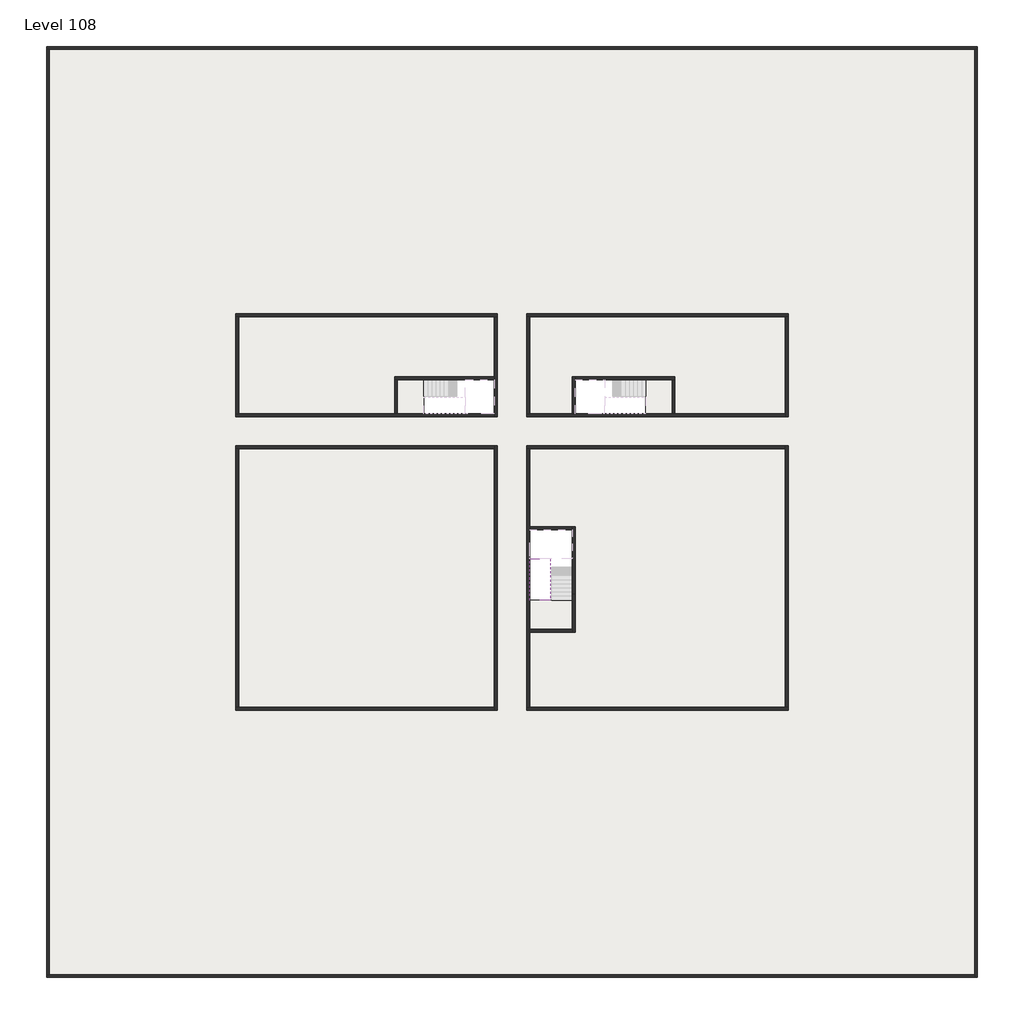
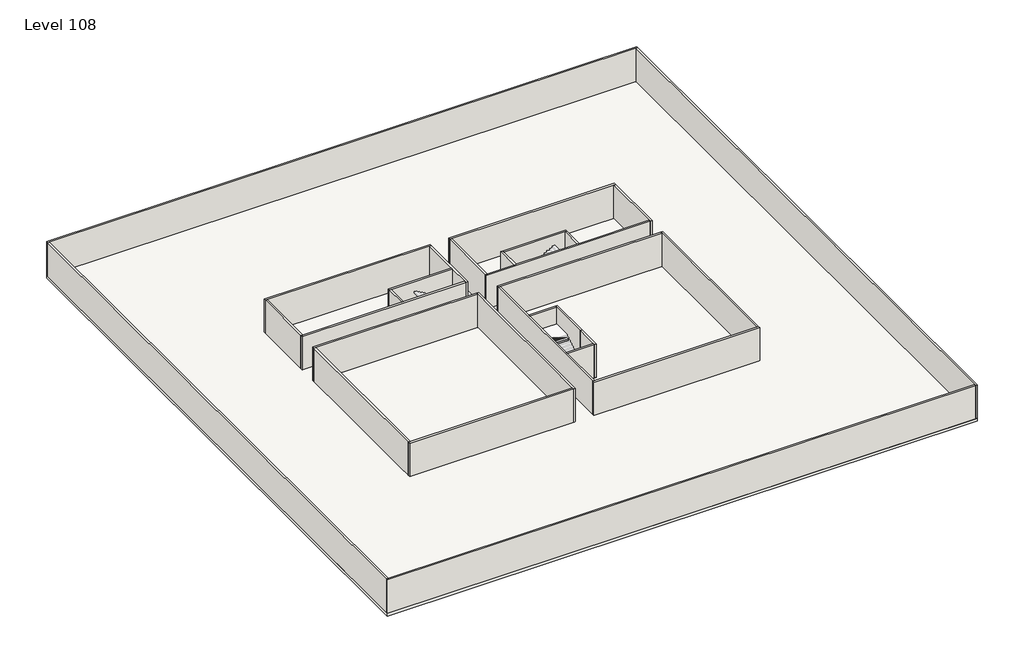
# One storey, part 1 of 2: 29 walls, 2 slabs, 1 stair flight.
"""IFC4 building model written with IfcOpenShell, lengths in millimetres."""

from ifc_helpers import new_model, si_unit, frame, origin, place, context, project, spatial, polyline, outline, extrude, faceted_brep, element, save

model = new_model("IFC4")

# Units and contexts
model_context = context("Model", 3, world=origin())
ifc_project = project(units=[si_unit("LENGTHUNIT", "METRE", prefix="MILLI")], contexts=[model_context])

# Site, building, storey
site = spatial("IfcSite", under=ifc_project)
building = spatial("IfcBuilding", under=site)
storey = spatial("IfcBuildingStorey", under=building, Name="Level 108", Elevation=406600.0)

# Slabs
placement = place(None, origin())
element("IfcSlab", 1, at=placement, inside=storey, context=model_context, shape_type="SweptSolid", body=[
    extrude(outline(polyline([(16190.1058784, -28218.09644), (18190.1058784, -28218.09644), (18190.1058784, -30518.09644), (16190.1058784, -30518.09644), (16190.1058784, -28218.09644)])), frame((0.0, 0.0, 406300.0), z_axis=(0.0, 0.0, 1.0), x_axis=(1.0, 0.0, 0.0)), (0.0, 0.0, 1.0), 300.0),
    extrude(outline(polyline([(28490.1058784, -43218.09644), (28490.1058784, -45418.09644), (25390.1058784, -45418.09644), (25390.1058784, -43218.09644), (28490.1058784, -43218.09644)])), frame((0.0, 0.0, 406300.0), z_axis=(0.0, 0.0, 1.0), x_axis=(1.0, 0.0, 0.0)), (0.0, 0.0, 1.0), 300.0),
    extrude(outline(polyline([(33290.1058784, -30518.09644), (33290.1058784, -28018.09644), (35290.1058784, -28018.09644), (35290.1058784, -30518.09644), (33290.1058784, -30518.09644)])), frame((0.0, 0.0, 406300.0), z_axis=(0.0, 0.0, 1.0), x_axis=(1.0, 0.0, 0.0)), (0.0, 0.0, 1.0), 300.0),
])
element("IfcSlab", 2, at=placement, inside=storey, context=model_context, shape_type="SweptSolid", body=[
    extrude(outline(polyline([(55890.1058784, -5518.09644), (55890.1058784, -68918.09644), (-7509.8941216, -68918.09644), (-7509.8941216, -5518.09644), (55890.1058784, -5518.09644)]), holes=[polyline([(25390.1058784, -45418.09644), (28490.1058784, -45418.09644), (28490.1058784, -38218.09644), (25390.1058784, -38218.09644), (25390.1058784, -45418.09644)]), polyline([(16190.1058784, -28018.09644), (16190.1058784, -30518.09644), (22990.1058784, -30518.09644), (22990.1058784, -28018.09644), (16190.1058784, -28018.09644)]), polyline([(28490.1058784, -28018.09644), (28490.1058784, -30518.09644), (35290.1058784, -30518.09644), (35290.1058784, -28018.09644), (28490.1058784, -28018.09644)])]), frame((0.0, 0.0, 406300.0), z_axis=(0.0, 0.0, 1.0), x_axis=(1.0, 0.0, 0.0)), (0.0, 0.0, 1.0), 300.0),
])

# Stair flight
element("IfcStairFlight", 3, at=placement, inside=storey, context=model_context, shape_type="Brep", body=[
    faceted_brep([(26790.1058784, -40698.09644, 408672.7272727), (26790.1058784, -40418.09644, 408672.7272727), (25390.1058784, -40418.09644, 408672.7272727), (25390.1058784, -40698.09644, 408672.7272727), (26790.1058784, -40698.09644, 408496.4823932), (26790.1058784, -40418.09644, 408323.7551205), (25390.1058784, -40418.09644, 408323.7551205), (25390.1058784, -40418.09644, 408500.0), (25390.1058784, -40698.09644, 408496.4823932), (26790.1058784, -40978.09644, 408845.4545455), (26790.1058784, -40698.09644, 408845.4545455), (25390.1058784, -40698.09644, 408845.4545455), (25390.1058784, -40978.09644, 408845.4545455), (26790.1058784, -40978.09644, 408669.209666), (25390.1058784, -40978.09644, 408669.209666), (26790.1058784, -41258.09644, 409018.1818182), (26790.1058784, -40978.09644, 409018.1818182), (25390.1058784, -40978.09644, 409018.1818182), (25390.1058784, -41258.09644, 409018.1818182), (26790.1058784, -41258.09644, 408841.9369387), (25390.1058784, -41258.09644, 408841.9369387), (26790.1058784, -41538.09644, 409190.9090909), (26790.1058784, -41258.09644, 409190.9090909), (25390.1058784, -41258.09644, 409190.9090909), (25390.1058784, -41538.09644, 409190.9090909), (26790.1058784, -41538.09644, 409014.6642114), (25390.1058784, -41538.09644, 409014.6642114), (26790.1058784, -41818.09644, 409363.6363636), (26790.1058784, -41538.09644, 409363.6363636), (25390.1058784, -41538.09644, 409363.6363636), (25390.1058784, -41818.09644, 409363.6363636), (26790.1058784, -41818.09644, 409187.3914841), (25390.1058784, -41818.09644, 409187.3914841), (26790.1058784, -42098.09644, 409536.3636364), (26790.1058784, -41818.09644, 409536.3636364), (25390.1058784, -41818.09644, 409536.3636364), (25390.1058784, -42098.09644, 409536.3636364), (26790.1058784, -42098.09644, 409360.1187569), (25390.1058784, -42098.09644, 409360.1187569), (26790.1058784, -42378.09644, 409709.0909091), (26790.1058784, -42098.09644, 409709.0909091), (25390.1058784, -42098.09644, 409709.0909091), (25390.1058784, -42378.09644, 409709.0909091), (26790.1058784, -42378.09644, 409532.8460296), (25390.1058784, -42378.09644, 409532.8460296), (26790.1058784, -42658.09644, 409881.8181818), (26790.1058784, -42378.09644, 409881.8181818), (25390.1058784, -42378.09644, 409881.8181818), (25390.1058784, -42658.09644, 409881.8181818), (26790.1058784, -42658.09644, 409705.5733023), (25390.1058784, -42658.09644, 409705.5733023), (26790.1058784, -42938.09644, 410054.5454545), (26790.1058784, -42658.09644, 410054.5454545), (25390.1058784, -42658.09644, 410054.5454545), (25390.1058784, -42938.09644, 410054.5454545), (26790.1058784, -42938.09644, 409878.3005751), (25390.1058784, -42938.09644, 409878.3005751), (26790.1058784, -43218.09644, 410227.2727273), (26790.1058784, -42938.09644, 410227.2727273), (25390.1058784, -42938.09644, 410227.2727273), (25390.1058784, -43218.09644, 410227.2727273), (26790.1058784, -43218.09644, 410051.0278478), (25390.1058784, -43218.09644, 410051.0278478)], [[[0, 1, 2, 3]], [[1, 0, 4, 5]], [[2, 1, 5, 6, 7]], [[3, 2, 7, 6, 8]], [[9, 10, 11, 12]], [[10, 9, 13, 4, 0]], [[11, 10, 0, 3]], [[12, 11, 3, 8, 14]], [[15, 16, 17, 18]], [[16, 15, 19, 13, 9]], [[17, 16, 9, 12]], [[18, 17, 12, 14, 20]], [[21, 22, 23, 24]], [[22, 21, 25, 19, 15]], [[23, 22, 15, 18]], [[24, 23, 18, 20, 26]], [[27, 28, 29, 30]], [[28, 27, 31, 25, 21]], [[29, 28, 21, 24]], [[30, 29, 24, 26, 32]], [[33, 34, 35, 36]], [[34, 33, 37, 31, 27]], [[35, 34, 27, 30]], [[36, 35, 30, 32, 38]], [[39, 40, 41, 42]], [[40, 39, 43, 37, 33]], [[41, 40, 33, 36]], [[42, 41, 36, 38, 44]], [[45, 46, 47, 48]], [[46, 45, 49, 43, 39]], [[47, 46, 39, 42]], [[48, 47, 42, 44, 50]], [[51, 52, 53, 54]], [[52, 51, 55, 49, 45]], [[53, 52, 45, 48]], [[54, 53, 48, 50, 56]], [[57, 58, 59, 60]], [[58, 57, 61, 55, 51]], [[59, 58, 51, 54]], [[60, 59, 54, 56, 62]], [[57, 60, 62, 61]], [[5, 4, 13, 19, 25, 31, 37, 43, 49, 55, 61, 62, 56, 50, 44, 38, 32, 26, 20, 14, 8, 6]]]),
])

# Walls
element("IfcWall", 4, at=placement, inside=storey, context=model_context, shape_type="Brep", body=[
    faceted_brep([(-7509.8941216, -5718.09644, 406600.0), (-7309.8941216, -5718.09644, 406600.0), (55690.1058784, -5718.09644, 406600.0), (55890.1058784, -5718.09644, 406600.0), (55890.1058784, -5718.09644, 410400.0), (55690.1058784, -5718.09644, 410400.0), (-7309.8941216, -5718.09644, 410400.0), (-7509.8941216, -5718.09644, 410400.0), (-7509.8941216, -5518.09644, 406600.0), (-7509.8941216, -5518.09644, 410400.0), (55890.1058784, -5518.09644, 410400.0), (55890.1058784, -5518.09644, 406600.0)], [[[0, 1, 2, 3, 4, 5, 6, 7]], [[8, 9, 10, 11]], [[3, 2, 1, 0, 8, 11]], [[7, 6, 5, 4, 10, 9]], [[0, 7, 9, 8]], [[4, 3, 11, 10]]]),
])
element("IfcWall", 5, at=placement, inside=storey, context=model_context, shape_type="Brep", body=[
    faceted_brep([(55690.1058784, -5718.09644, 406600.0), (55690.1058784, -68718.09644, 406600.0), (55690.1058784, -68918.09644, 406600.0), (55690.1058784, -68918.09644, 410400.0), (55690.1058784, -68718.09644, 410400.0), (55690.1058784, -5718.09644, 410400.0), (55890.1058784, -5718.09644, 406600.0), (55890.1058784, -5718.09644, 410400.0), (55890.1058784, -68918.09644, 410400.0), (55890.1058784, -68918.09644, 406600.0)], [[[0, 1, 2, 3, 4, 5]], [[6, 7, 8, 9]], [[2, 1, 0, 6, 9]], [[5, 4, 3, 8, 7]], [[3, 2, 9, 8]], [[0, 5, 7, 6]]]),
])
element("IfcWall", 6, at=placement, inside=storey, context=model_context, shape_type="Brep", body=[
    faceted_brep([(55690.1058784, -68718.09644, 406600.0), (-7309.8941216, -68718.09644, 406600.0), (-7509.8941216, -68718.09644, 406600.0), (-7509.8941216, -68718.09644, 410400.0), (-7309.8941216, -68718.09644, 410400.0), (55690.1058784, -68718.09644, 410400.0), (55690.1058784, -68918.09644, 406600.0), (55690.1058784, -68918.09644, 410400.0), (-7509.8941216, -68918.09644, 410400.0), (-7509.8941216, -68918.09644, 406600.0)], [[[0, 1, 2, 3, 4, 5]], [[6, 7, 8, 9]], [[2, 1, 0, 6, 9]], [[5, 4, 3, 8, 7]], [[3, 2, 9, 8]], [[0, 5, 7, 6]]]),
])
element("IfcWall", 7, at=placement, inside=storey, context=model_context, shape_type="SweptSolid", body=[
    extrude(outline(polyline([(-7309.8941216, -5718.09644), (-7309.8941216, -68718.09644), (-7509.8941216, -68718.09644), (-7509.8941216, -5718.09644), (-7309.8941216, -5718.09644)])), frame((0.0, 0.0, 406600.0), z_axis=(0.0, 0.0, 1.0), x_axis=(1.0, 0.0, 0.0)), (0.0, 0.0, 1.0), 3800.0),
])
element("IfcWall", 8, at=placement, inside=storey, context=model_context, shape_type="Brep", body=[
    faceted_brep([(5390.1058784, -23918.09644, 406600.0), (5590.1058784, -23918.09644, 406600.0), (22990.1058784, -23918.09644, 406600.0), (23190.1058784, -23918.09644, 406600.0), (23190.1058784, -23918.09644, 410400.0), (22990.1058784, -23918.09644, 410400.0), (5590.1058784, -23918.09644, 410400.0), (5390.1058784, -23918.09644, 410400.0), (5390.1058784, -23718.09644, 406600.0), (5390.1058784, -23718.09644, 410400.0), (23190.1058784, -23718.09644, 410400.0), (23190.1058784, -23718.09644, 406600.0)], [[[0, 1, 2, 3, 4, 5, 6, 7]], [[8, 9, 10, 11]], [[3, 2, 1, 0, 8, 11]], [[7, 6, 5, 4, 10, 9]], [[4, 3, 11, 10]], [[0, 7, 9, 8]]]),
])
element("IfcWall", 9, at=placement, inside=storey, context=model_context, shape_type="Brep", body=[
    faceted_brep([(22990.1058784, -23918.09644, 406600.0), (22990.1058784, -28018.09644, 406600.0), (22990.1058784, -28218.09644, 406600.0), (22990.1058784, -30518.09644, 406600.0), (22990.1058784, -30718.09644, 406600.0), (22990.1058784, -30718.09644, 410400.0), (22990.1058784, -30518.09644, 410400.0), (22990.1058784, -28218.09644, 410400.0), (22990.1058784, -28018.09644, 410400.0), (22990.1058784, -23918.09644, 410400.0), (23190.1058784, -23918.09644, 406600.0), (23190.1058784, -23918.09644, 410400.0), (23190.1058784, -30718.09644, 410400.0), (23190.1058784, -30718.09644, 406600.0)], [[[0, 1, 2, 3, 4, 5, 6, 7, 8, 9]], [[10, 11, 12, 13]], [[4, 3, 2, 1, 0, 10, 13]], [[9, 8, 7, 6, 5, 12, 11]], [[0, 9, 11, 10]], [[5, 4, 13, 12]]]),
])
element("IfcWall", 10, at=placement, inside=storey, context=model_context, shape_type="Brep", body=[
    faceted_brep([(25190.1058784, -32918.09644, 406600.0), (25190.1058784, -50518.09644, 406600.0), (25190.1058784, -50518.09644, 410400.0), (25190.1058784, -32918.09644, 410400.0), (25390.1058784, -32918.09644, 406600.0), (25390.1058784, -32918.09644, 410400.0), (25390.1058784, -38218.09644, 410400.0), (25390.1058784, -38418.09644, 410400.0), (25390.1058784, -45218.09644, 410400.0), (25390.1058784, -45418.09644, 410400.0), (25390.1058784, -50518.09644, 410400.0), (25390.1058784, -50518.09644, 406600.0), (25390.1058784, -45418.09644, 406600.0), (25390.1058784, -45218.09644, 406600.0), (25390.1058784, -38418.09644, 406600.0), (25390.1058784, -38218.09644, 406600.0)], [[[0, 1, 2, 3]], [[4, 5, 6, 7, 8, 9, 10, 11, 12, 13, 14, 15]], [[1, 0, 4, 15, 14, 13, 12, 11]], [[3, 2, 10, 9, 8, 7, 6, 5]], [[2, 1, 11, 10]], [[0, 3, 5, 4]]]),
])
element("IfcWall", 11, at=placement, inside=storey, context=model_context, shape_type="Brep", body=[
    faceted_brep([(22990.1058784, -32718.09644, 406600.0), (22990.1058784, -32918.09644, 406600.0), (22990.1058784, -50518.09644, 406600.0), (22990.1058784, -50718.09644, 406600.0), (22990.1058784, -50718.09644, 410400.0), (22990.1058784, -50518.09644, 410400.0), (22990.1058784, -32918.09644, 410400.0), (22990.1058784, -32718.09644, 410400.0), (23190.1058784, -32718.09644, 406600.0), (23190.1058784, -32718.09644, 410400.0), (23190.1058784, -50718.09644, 410400.0), (23190.1058784, -50718.09644, 406600.0)], [[[0, 1, 2, 3, 4, 5, 6, 7]], [[8, 9, 10, 11]], [[3, 2, 1, 0, 8, 11]], [[7, 6, 5, 4, 10, 9]], [[4, 3, 11, 10]], [[0, 7, 9, 8]]]),
])
element("IfcWall", 12, at=placement, inside=storey, context=model_context, shape_type="Brep", body=[
    faceted_brep([(22990.1058784, -50518.09644, 406600.0), (5590.1058784, -50518.09644, 406600.0), (5390.1058784, -50518.09644, 406600.0), (5390.1058784, -50518.09644, 410400.0), (5590.1058784, -50518.09644, 410400.0), (22990.1058784, -50518.09644, 410400.0), (22990.1058784, -50718.09644, 406600.0), (22990.1058784, -50718.09644, 410400.0), (5390.1058784, -50718.09644, 410400.0), (5390.1058784, -50718.09644, 406600.0)], [[[0, 1, 2, 3, 4, 5]], [[6, 7, 8, 9]], [[2, 1, 0, 6, 9]], [[5, 4, 3, 8, 7]], [[0, 5, 7, 6]], [[3, 2, 9, 8]]]),
])
element("IfcWall", 13, at=placement, inside=storey, context=model_context, shape_type="Brep", body=[
    faceted_brep([(28290.1058784, -42818.09644, 406600.0), (28290.1058784, -45218.09644, 406600.0), (28290.1058784, -45418.09644, 406600.0), (28290.1058784, -45418.09644, 410400.0), (28290.1058784, -45218.09644, 410400.0), (28290.1058784, -42818.09644, 410400.0), (28490.1058784, -42818.09644, 406600.0), (28490.1058784, -42818.09644, 410400.0), (28490.1058784, -45418.09644, 410400.0), (28490.1058784, -45418.09644, 406600.0)], [[[0, 1, 2, 3, 4, 5]], [[6, 7, 8, 9]], [[2, 1, 0, 6, 9]], [[5, 4, 3, 8, 7]], [[0, 5, 7, 6]], [[3, 2, 9, 8]]]),
])
element("IfcWall", 14, at=placement, inside=storey, context=model_context, shape_type="SweptSolid", body=[
    extrude(outline(polyline([(5390.1058784, -30518.09644), (5390.1058784, -23918.09644), (5590.1058784, -23918.09644), (5590.1058784, -30518.09644), (5390.1058784, -30518.09644)])), frame((0.0, 0.0, 406600.0), z_axis=(0.0, 0.0, 1.0), x_axis=(1.0, 0.0, 0.0)), (0.0, 0.0, 1.0), 3800.0),
])
element("IfcWall", 15, at=placement, inside=storey, context=model_context, shape_type="Brep", body=[
    faceted_brep([(5390.1058784, -30718.09644, 406600.0), (22990.1058784, -30718.09644, 406600.0), (22990.1058784, -30718.09644, 410400.0), (5390.1058784, -30718.09644, 410400.0), (5390.1058784, -30518.09644, 406600.0), (5390.1058784, -30518.09644, 410400.0), (5590.1058784, -30518.09644, 410400.0), (16190.1058784, -30518.09644, 410400.0), (16390.1058784, -30518.09644, 410400.0), (22990.1058784, -30518.09644, 410400.0), (22990.1058784, -30518.09644, 406600.0), (16390.1058784, -30518.09644, 406600.0), (16190.1058784, -30518.09644, 406600.0), (5590.1058784, -30518.09644, 406600.0)], [[[0, 1, 2, 3]], [[4, 5, 6, 7, 8, 9, 10, 11, 12, 13]], [[1, 0, 4, 13, 12, 11, 10]], [[3, 2, 9, 8, 7, 6, 5]], [[0, 3, 5, 4]], [[2, 1, 10, 9]]]),
])
element("IfcWall", 16, at=placement, inside=storey, context=model_context, shape_type="Brep", body=[
    faceted_brep([(28490.1058784, -42818.09644, 406600.0), (28490.1058784, -38218.09644, 406600.0), (28490.1058784, -38218.09644, 410400.0), (28490.1058784, -42818.09644, 410400.0), (28290.1058784, -42818.09644, 406600.0), (28290.1058784, -42818.09644, 410400.0), (28290.1058784, -38418.09644, 410400.0), (28290.1058784, -38218.09644, 410400.0), (28290.1058784, -38218.09644, 406600.0), (28290.1058784, -38418.09644, 406600.0)], [[[0, 1, 2, 3]], [[4, 5, 6, 7, 8, 9]], [[1, 0, 4, 9, 8]], [[3, 2, 7, 6, 5]], [[0, 3, 5, 4]], [[2, 1, 8, 7]]]),
])
element("IfcWall", 17, at=placement, inside=storey, context=model_context, shape_type="SweptSolid", body=[
    extrude(outline(polyline([(25390.1058784, -38218.09644), (28290.1058784, -38218.09644), (28290.1058784, -38418.09644), (25390.1058784, -38418.09644), (25390.1058784, -38218.09644)])), frame((0.0, 0.0, 406600.0), z_axis=(0.0, 0.0, 1.0), x_axis=(1.0, 0.0, 0.0)), (0.0, 0.0, 1.0), 3800.0),
])
element("IfcWall", 18, at=placement, inside=storey, context=model_context, shape_type="SweptSolid", body=[
    extrude(outline(polyline([(28290.1058784, -45418.09644), (25390.1058784, -45418.09644), (25390.1058784, -45218.09644), (28290.1058784, -45218.09644), (28290.1058784, -45418.09644)])), frame((0.0, 0.0, 406600.0), z_axis=(0.0, 0.0, 1.0), x_axis=(1.0, 0.0, 0.0)), (0.0, 0.0, 1.0), 3800.0),
])
element("IfcWall", 19, at=placement, inside=storey, context=model_context, shape_type="Brep", body=[
    faceted_brep([(5390.1058784, -32918.09644, 406600.0), (5590.1058784, -32918.09644, 406600.0), (22990.1058784, -32918.09644, 406600.0), (22990.1058784, -32918.09644, 410400.0), (5590.1058784, -32918.09644, 410400.0), (5390.1058784, -32918.09644, 410400.0), (5390.1058784, -32718.09644, 406600.0), (5390.1058784, -32718.09644, 410400.0), (22990.1058784, -32718.09644, 410400.0), (22990.1058784, -32718.09644, 406600.0)], [[[0, 1, 2, 3, 4, 5]], [[6, 7, 8, 9]], [[2, 1, 0, 6, 9]], [[5, 4, 3, 8, 7]], [[3, 2, 9, 8]], [[0, 5, 7, 6]]]),
])
element("IfcWall", 20, at=placement, inside=storey, context=model_context, shape_type="SweptSolid", body=[
    extrude(outline(polyline([(5390.1058784, -50518.09644), (5390.1058784, -32918.09644), (5590.1058784, -32918.09644), (5590.1058784, -50518.09644), (5390.1058784, -50518.09644)])), frame((0.0, 0.0, 406600.0), z_axis=(0.0, 0.0, 1.0), x_axis=(1.0, 0.0, 0.0)), (0.0, 0.0, 1.0), 3800.0),
])
element("IfcWall", 21, at=placement, inside=storey, context=model_context, shape_type="Brep", body=[
    faceted_brep([(25190.1058784, -50718.09644, 406600.0), (42990.1058784, -50718.09644, 406600.0), (42990.1058784, -50718.09644, 410400.0), (25190.1058784, -50718.09644, 410400.0), (25190.1058784, -50518.09644, 406600.0), (25190.1058784, -50518.09644, 410400.0), (25390.1058784, -50518.09644, 410400.0), (42790.1058784, -50518.09644, 410400.0), (42990.1058784, -50518.09644, 410400.0), (42990.1058784, -50518.09644, 406600.0), (42790.1058784, -50518.09644, 406600.0), (25390.1058784, -50518.09644, 406600.0)], [[[0, 1, 2, 3]], [[4, 5, 6, 7, 8, 9, 10, 11]], [[1, 0, 4, 11, 10, 9]], [[3, 2, 8, 7, 6, 5]], [[2, 1, 9, 8]], [[0, 3, 5, 4]]]),
])
element("IfcWall", 22, at=placement, inside=storey, context=model_context, shape_type="Brep", body=[
    faceted_brep([(42990.1058784, -50518.09644, 406600.0), (42990.1058784, -32718.09644, 406600.0), (42990.1058784, -32718.09644, 410400.0), (42990.1058784, -50518.09644, 410400.0), (42790.1058784, -50518.09644, 406600.0), (42790.1058784, -50518.09644, 410400.0), (42790.1058784, -32918.09644, 410400.0), (42790.1058784, -32718.09644, 410400.0), (42790.1058784, -32718.09644, 406600.0), (42790.1058784, -32918.09644, 406600.0)], [[[0, 1, 2, 3]], [[4, 5, 6, 7, 8, 9]], [[1, 0, 4, 9, 8]], [[3, 2, 7, 6, 5]], [[0, 3, 5, 4]], [[2, 1, 8, 7]]]),
])
element("IfcWall", 23, at=placement, inside=storey, context=model_context, shape_type="Brep", body=[
    faceted_brep([(42790.1058784, -32718.09644, 406600.0), (25190.1058784, -32718.09644, 406600.0), (25190.1058784, -32718.09644, 410400.0), (42790.1058784, -32718.09644, 410400.0), (42790.1058784, -32918.09644, 406600.0), (42790.1058784, -32918.09644, 410400.0), (25390.1058784, -32918.09644, 410400.0), (25190.1058784, -32918.09644, 410400.0), (25190.1058784, -32918.09644, 406600.0), (25390.1058784, -32918.09644, 406600.0)], [[[0, 1, 2, 3]], [[4, 5, 6, 7, 8, 9]], [[1, 0, 4, 9, 8]], [[3, 2, 7, 6, 5]], [[0, 3, 5, 4]], [[2, 1, 8, 7]]]),
])
element("IfcWall", 24, at=placement, inside=storey, context=model_context, shape_type="Brep", body=[
    faceted_brep([(25190.1058784, -23918.09644, 406600.0), (25390.1058784, -23918.09644, 406600.0), (42790.1058784, -23918.09644, 406600.0), (42990.1058784, -23918.09644, 406600.0), (42990.1058784, -23918.09644, 410400.0), (42790.1058784, -23918.09644, 410400.0), (25390.1058784, -23918.09644, 410400.0), (25190.1058784, -23918.09644, 410400.0), (25190.1058784, -23718.09644, 406600.0), (25190.1058784, -23718.09644, 410400.0), (42990.1058784, -23718.09644, 410400.0), (42990.1058784, -23718.09644, 406600.0)], [[[0, 1, 2, 3, 4, 5, 6, 7]], [[8, 9, 10, 11]], [[3, 2, 1, 0, 8, 11]], [[7, 6, 5, 4, 10, 9]], [[0, 7, 9, 8]], [[4, 3, 11, 10]]]),
])
element("IfcWall", 25, at=placement, inside=storey, context=model_context, shape_type="Brep", body=[
    faceted_brep([(42790.1058784, -23918.09644, 406600.0), (42790.1058784, -30518.09644, 406600.0), (42790.1058784, -30718.09644, 406600.0), (42790.1058784, -30718.09644, 410400.0), (42790.1058784, -30518.09644, 410400.0), (42790.1058784, -23918.09644, 410400.0), (42990.1058784, -23918.09644, 406600.0), (42990.1058784, -23918.09644, 410400.0), (42990.1058784, -30718.09644, 410400.0), (42990.1058784, -30718.09644, 406600.0)], [[[0, 1, 2, 3, 4, 5]], [[6, 7, 8, 9]], [[2, 1, 0, 6, 9]], [[5, 4, 3, 8, 7]], [[0, 5, 7, 6]], [[3, 2, 9, 8]]]),
])
element("IfcWall", 26, at=placement, inside=storey, context=model_context, shape_type="Brep", body=[
    faceted_brep([(42790.1058784, -30518.09644, 406600.0), (35290.1058784, -30518.09644, 406600.0), (35090.1058784, -30518.09644, 406600.0), (28490.1058784, -30518.09644, 406600.0), (28290.1058784, -30518.09644, 406600.0), (25390.1058784, -30518.09644, 406600.0), (25190.1058784, -30518.09644, 406600.0), (25190.1058784, -30518.09644, 410400.0), (25390.1058784, -30518.09644, 410400.0), (28290.1058784, -30518.09644, 410400.0), (28490.1058784, -30518.09644, 410400.0), (35090.1058784, -30518.09644, 410400.0), (35290.1058784, -30518.09644, 410400.0), (42790.1058784, -30518.09644, 410400.0), (42790.1058784, -30718.09644, 406600.0), (42790.1058784, -30718.09644, 410400.0), (25190.1058784, -30718.09644, 410400.0), (25190.1058784, -30718.09644, 406600.0)], [[[0, 1, 2, 3, 4, 5, 6, 7, 8, 9, 10, 11, 12, 13]], [[14, 15, 16, 17]], [[6, 5, 4, 3, 2, 1, 0, 14, 17]], [[13, 12, 11, 10, 9, 8, 7, 16, 15]], [[7, 6, 17, 16]], [[0, 13, 15, 14]]]),
])
element("IfcWall", 27, at=placement, inside=storey, context=model_context, shape_type="SweptSolid", body=[
    extrude(outline(polyline([(25390.1058784, -23918.09644), (25390.1058784, -30518.09644), (25190.1058784, -30518.09644), (25190.1058784, -23918.09644), (25390.1058784, -23918.09644)])), frame((0.0, 0.0, 406600.0), z_axis=(0.0, 0.0, 1.0), x_axis=(1.0, 0.0, 0.0)), (0.0, 0.0, 1.0), 3800.0),
])
element("IfcWall", 28, at=placement, inside=storey, context=model_context, shape_type="Brep", body=[
    faceted_brep([(28490.1058784, -30518.09644, 406600.0), (28490.1058784, -28218.09644, 406600.0), (28490.1058784, -28018.09644, 406600.0), (28490.1058784, -28018.09644, 410400.0), (28490.1058784, -28218.09644, 410400.0), (28490.1058784, -30518.09644, 410400.0), (28290.1058784, -30518.09644, 406600.0), (28290.1058784, -30518.09644, 410400.0), (28290.1058784, -28018.09644, 410400.0), (28290.1058784, -28018.09644, 406600.0)], [[[0, 1, 2, 3, 4, 5]], [[6, 7, 8, 9]], [[2, 1, 0, 6, 9]], [[5, 4, 3, 8, 7]], [[0, 5, 7, 6]], [[3, 2, 9, 8]]]),
])
element("IfcWall", 29, at=placement, inside=storey, context=model_context, shape_type="Brep", body=[
    faceted_brep([(28490.1058784, -28218.09644, 406600.0), (35090.1058784, -28218.09644, 406600.0), (35290.1058784, -28218.09644, 406600.0), (35290.1058784, -28218.09644, 410400.0), (35090.1058784, -28218.09644, 410400.0), (28490.1058784, -28218.09644, 410400.0), (28490.1058784, -28018.09644, 406600.0), (28490.1058784, -28018.09644, 410400.0), (35290.1058784, -28018.09644, 410400.0), (35290.1058784, -28018.09644, 406600.0)], [[[0, 1, 2, 3, 4, 5]], [[6, 7, 8, 9]], [[2, 1, 0, 6, 9]], [[5, 4, 3, 8, 7]], [[0, 5, 7, 6]], [[3, 2, 9, 8]]]),
])
element("IfcWall", 30, at=placement, inside=storey, context=model_context, shape_type="SweptSolid", body=[
    extrude(outline(polyline([(35090.1058784, -30518.09644), (35090.1058784, -28218.09644), (35290.1058784, -28218.09644), (35290.1058784, -30518.09644), (35090.1058784, -30518.09644)])), frame((0.0, 0.0, 406600.0), z_axis=(0.0, 0.0, 1.0), x_axis=(1.0, 0.0, 0.0)), (0.0, 0.0, 1.0), 3800.0),
])
element("IfcWall", 31, at=placement, inside=storey, context=model_context, shape_type="Brep", body=[
    faceted_brep([(22990.1058784, -28018.09644, 406600.0), (16190.1058784, -28018.09644, 406600.0), (16190.1058784, -28018.09644, 410400.0), (22990.1058784, -28018.09644, 410400.0), (22990.1058784, -28218.09644, 406600.0), (22990.1058784, -28218.09644, 410400.0), (16390.1058784, -28218.09644, 410400.0), (16190.1058784, -28218.09644, 410400.0), (16190.1058784, -28218.09644, 406600.0), (16390.1058784, -28218.09644, 406600.0)], [[[0, 1, 2, 3]], [[4, 5, 6, 7, 8, 9]], [[1, 0, 4, 9, 8]], [[3, 2, 7, 6, 5]], [[0, 3, 5, 4]], [[2, 1, 8, 7]]]),
])
element("IfcWall", 32, at=placement, inside=storey, context=model_context, shape_type="SweptSolid", body=[
    extrude(outline(polyline([(16190.1058784, -30518.09644), (16190.1058784, -28218.09644), (16390.1058784, -28218.09644), (16390.1058784, -30518.09644), (16190.1058784, -30518.09644)])), frame((0.0, 0.0, 406600.0), z_axis=(0.0, 0.0, 1.0), x_axis=(1.0, 0.0, 0.0)), (0.0, 0.0, 1.0), 3800.0),
])

save(model, "model.ifc")
